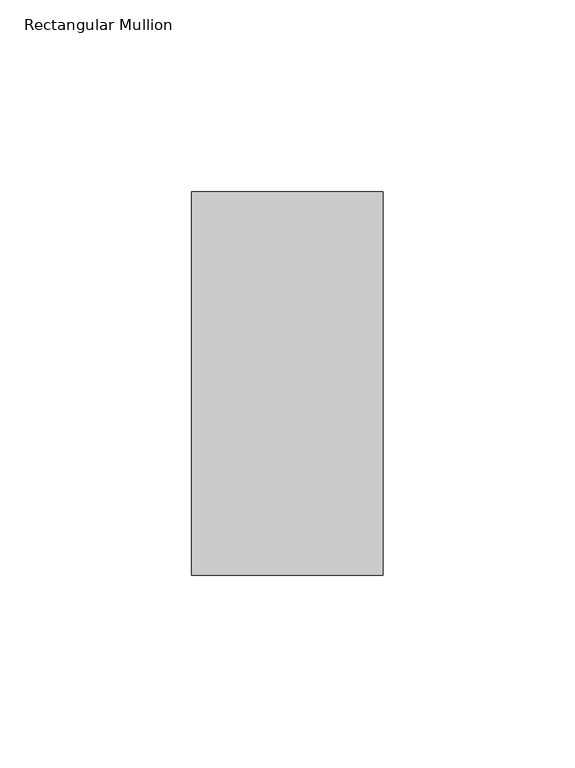
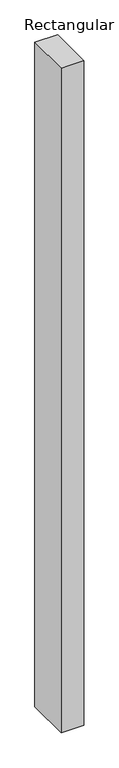
"""IFC4 building model written with IfcOpenShell, lengths in millimetres: member geometry, Rectangular Mullion."""

from ifc_helpers import new_model, si_unit, frame, origin, place, context, project, spatial, polyline, outline, extrude, source, transform, mapped, element, save


def rectangular_mullion_fffaecdc(model_context):
    return source(origin(), model_context, "Body", "SweptSolid", [
        extrude(outline(polyline([(25.0, 31.0), (25.0, -69.0), (-25.0, -69.0), (-25.0, 31.0), (25.0, 31.0)])), frame((0.0, 0.0, -1550.0), z_axis=(0.0, 0.0, 1.0), x_axis=(1.0, 0.0, 0.0)), (0.0, 0.0, 1.0), 1550.0),
    ])


if __name__ == "__main__":
    model = new_model("IFC4")
    model_context = context("Model", 3, world=origin())
    ifc_project = project(units=[si_unit("LENGTHUNIT", "METRE", prefix="MILLI")], contexts=[model_context])
    site = spatial("IfcSite", under=ifc_project)
    building = spatial("IfcBuilding", under=site)
    placement = place(None, origin())
    rectangular_mullion_shape = rectangular_mullion_fffaecdc(model_context)
    element("IfcMember", 1, ObjectType="Rectangular Mullion", at=placement, inside=building, context=model_context, shape_type="MappedRepresentation", body=[
        mapped(rectangular_mullion_shape, transform((0.0, 0.0, 0.0), x_axis=(1.0, 0.0, 0.0), y_axis=(0.0, 1.0, 0.0), z_axis=(0.0, 0.0, 1.0))),
    ])
    save(model, "model.ifc")
